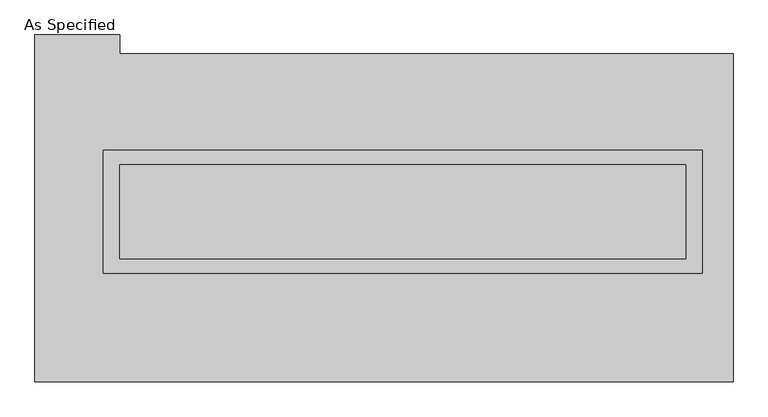
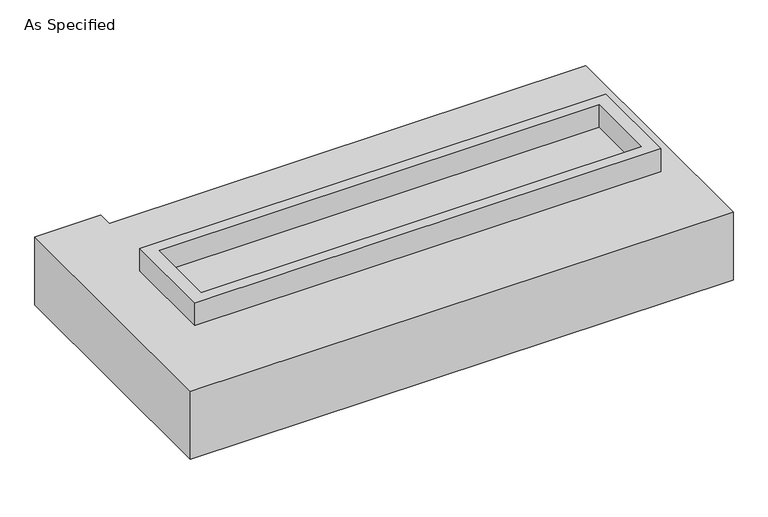
"""IFC4 building model written with IfcOpenShell, lengths in millimetres: proxy geometry, As Specified."""

from ifc_helpers import new_model, si_unit, frame, origin, place, context, project, spatial, polyline, outline, extrude, source, transform, mapped, element, save


def as_specified_10f31103(model_context):
    return source(origin(), model_context, "Body", "SweptSolid", [
        extrude(outline(polyline([(1612.9, 361.95), (1612.9, -298.45), (-1612.9, -298.45), (-1612.9, 361.95), (1612.9, 361.95)]), holes=[polyline([(1524.0, 285.75), (-1524.0, 285.75), (-1524.0, -222.25), (1524.0, -222.25), (1524.0, 285.75)])]), frame((0.0, 0.0, -688.975), z_axis=(0.0, 0.0, 1.0), x_axis=(1.0, 0.0, 0.0)), (0.0, 0.0, 1.0), 165.1),
        extrude(outline(polyline([(1612.9, 361.95), (1612.9, -298.45), (-1612.9, -298.45), (-1612.9, 361.95), (1612.9, 361.95)]), holes=[polyline([(1524.0, 285.75), (-1524.0, 285.75), (-1524.0, -222.25), (1524.0, -222.25), (1524.0, 285.75)])]), frame((0.0, 0.0, -25.4), z_axis=(0.0, 0.0, 1.0), x_axis=(1.0, 0.0, 0.0)), (0.0, 0.0, 1.0), 165.1),
        extrude(outline(polyline([(1524.0, 285.75), (1524.0, -222.25), (-1524.0, -222.25), (-1524.0, 285.75), (1524.0, 285.75)])), frame((0.0, 0.0, -523.875), z_axis=(0.0, 0.0, 1.0), x_axis=(1.0, 0.0, 0.0)), (0.0, 0.0, 1.0), 4.9609375),
        extrude(outline(polyline([(1524.0, 285.75), (1524.0, -222.25), (-1524.0, -222.25), (-1524.0, 285.75), (1524.0, 285.75)])), frame((0.0, 0.0, -30.3609375), z_axis=(0.0, 0.0, 1.0), x_axis=(1.0, 0.0, 0.0)), (0.0, 0.0, 1.0), 4.9609375),
        extrude(outline(polyline([(1778.0, -882.65), (-1981.2, -882.65), (-1981.2, 984.25), (-1524.0, 984.25), (-1524.0, 882.65), (1778.0, 882.65), (1778.0, -882.65)]), holes=[polyline([(-1612.9, 361.95), (-1612.9, -298.45), (1612.9, -298.45), (1612.9, 361.95), (-1612.9, 361.95)])]), frame((0.0, 0.0, -523.875), z_axis=(0.0, 0.0, 1.0), x_axis=(1.0, 0.0, 0.0)), (0.0, 0.0, 1.0), 498.475),
    ])


if __name__ == "__main__":
    model = new_model("IFC4")
    model_context = context("Model", 3, world=origin())
    ifc_project = project(units=[si_unit("LENGTHUNIT", "METRE", prefix="MILLI")], contexts=[model_context])
    site = spatial("IfcSite", under=ifc_project)
    building = spatial("IfcBuilding", under=site)
    placement = place(None, origin())
    as_specified_shape = as_specified_10f31103(model_context)
    element("IfcBuildingElementProxy", 1, Name="As Specified", ObjectType="As Specified", at=placement, inside=building, context=model_context, shape_type="MappedRepresentation", body=[
        mapped(as_specified_shape, transform((0.0, 0.0, 0.0), x_axis=(1.0, 0.0, 0.0), y_axis=(0.0, 1.0, 0.0), z_axis=(0.0, 0.0, 1.0))),
    ])
    save(model, "model.ifc")
